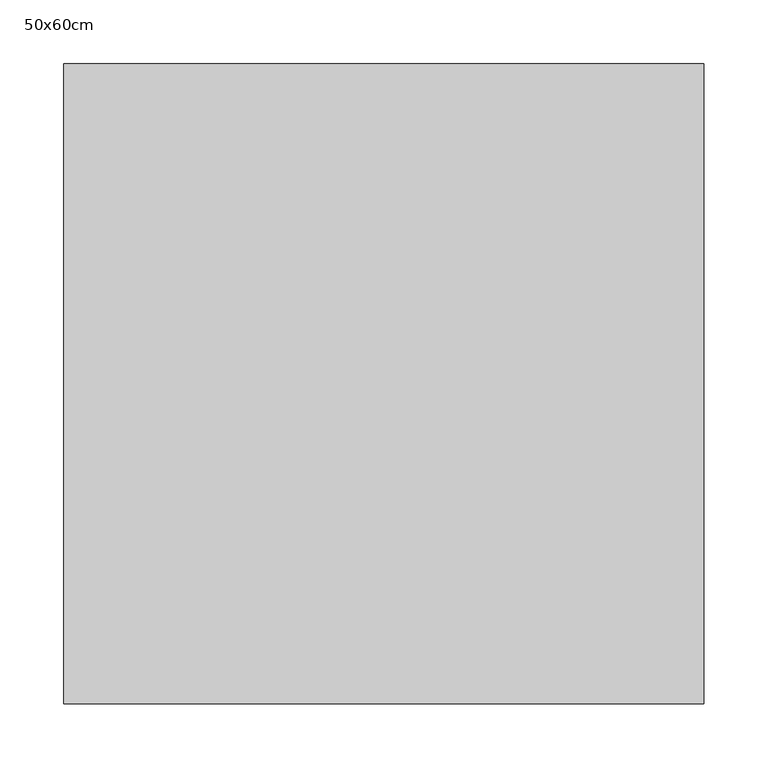
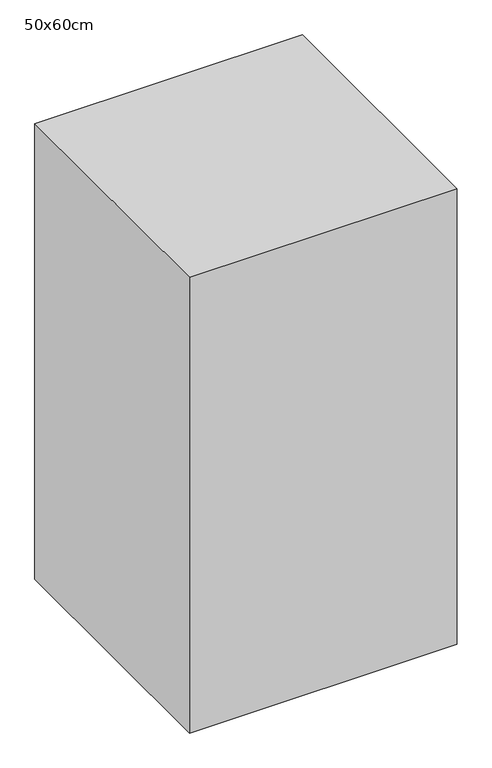
"""IFC4 building model written with IfcOpenShell, lengths in millimetres: proxy geometry, 50x60cm."""

from ifc_helpers import new_model, si_unit, frame, origin, place, context, project, spatial, polyline, outline, extrude, source, transform, mapped, element, save


def proxy_50x60cm_f920786d(model_context):
    return source(origin(), model_context, "Body", "SweptSolid", [
        extrude(outline(polyline([(500.0, 500.0), (500.0, 0.0), (0.0, 0.0), (0.0, 500.0), (500.0, 500.0)])), frame((0.0, 0.0, 100.0), z_axis=(0.0, 0.0, 1.0), x_axis=(1.0, 0.0, 0.0)), (0.0, 0.0, 1.0), 900.0),
    ])


if __name__ == "__main__":
    model = new_model("IFC4")
    model_context = context("Model", 3, world=origin())
    ifc_project = project(units=[si_unit("LENGTHUNIT", "METRE", prefix="MILLI")], contexts=[model_context])
    site = spatial("IfcSite", under=ifc_project)
    building = spatial("IfcBuilding", under=site)
    placement = place(None, origin())
    proxy_50x60cm_shape = proxy_50x60cm_f920786d(model_context)
    element("IfcBuildingElementProxy", 1, Name="50x60cm", ObjectType="50x60cm", at=placement, inside=building, context=model_context, shape_type="MappedRepresentation", body=[
        mapped(proxy_50x60cm_shape, transform((0.0, 0.0, 0.0), x_axis=(1.0, 0.0, 0.0), y_axis=(0.0, 1.0, 0.0), z_axis=(0.0, 0.0, 1.0))),
    ])
    save(model, "model.ifc")
